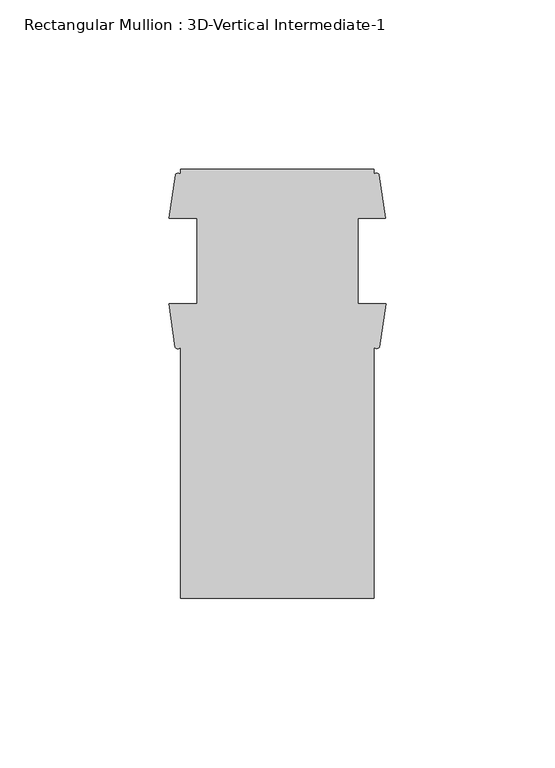
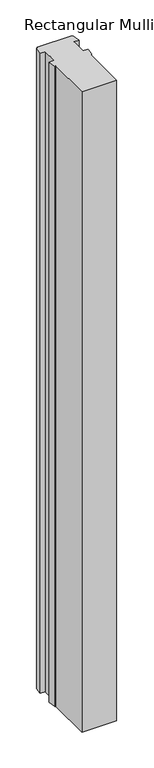
"""IFC4 building model written with IfcOpenShell, lengths in millimetres: member geometry, Rectangular Mullion : 3D-Vertical Intermediate-1."""

from ifc_helpers import new_model, si_unit, point, frame, frame_2d, origin, place, context, project, spatial, polyline, circle_curve, trimmed, segment, composite_curve, outline, extrude, source, transform, mapped, element, save


def rectangular_mullion_3d_vertical_intermediate_1_5295682a(model_context):
    return source(origin(), model_context, "Body", "SweptSolid", [
        extrude(outline(composite_curve([segment(polyline([(-28.575, -73.025), (-28.575, 1.2984222)]), True, "CONTINUOUS"), segment(trimmed(circle_curve(frame_2d((-29.4067022, 1.834513)), 0.9895059), [point((-28.575, 1.2984222))], [point((-30.2384044, 1.2984222))], False, "CARTESIAN"), True, "CONTINUOUS"), segment(polyline([(-30.2384044, 1.2984222), (-32.0945217, 14.071475), (-23.8125, 14.071475), (-23.8125, 39.471475), (-31.971, 39.471475), (-30.1608963, 52.2427625)]), True, "CONTINUOUS"), segment(trimmed(circle_curve(frame_2d((-29.3679481, 51.7698358)), 0.9232694), [point((-30.1608963, 52.2427625))], [point((-28.575, 52.2427625))], False, "CARTESIAN"), True, "CONTINUOUS"), segment(polyline([(-28.575, 52.2427625), (-28.575, 53.975), (28.575, 53.975), (28.575, 52.2427625)]), True, "CONTINUOUS"), segment(trimmed(circle_curve(frame_2d((29.3679481, 51.7864126)), 0.914889), [point((28.575, 52.2427625))], [point((30.1608963, 52.2427625))], False, "CARTESIAN"), True, "CONTINUOUS"), segment(polyline([(30.1608963, 52.2427625), (31.971, 39.471475), (23.8125, 39.471475), (23.8125, 14.071475), (32.0945217, 14.071475), (30.2384044, 1.2984222)]), True, "CONTINUOUS"), segment(trimmed(circle_curve(frame_2d((29.4067022, 1.8757809)), 1.0124582), [point((30.2384044, 1.2984222))], [point((28.575, 1.2984222))], False, "CARTESIAN"), True, "CONTINUOUS"), segment(polyline([(28.575, 1.2984222), (28.575, -73.025), (-28.575, -73.025)]), True, "CONTINUOUS")], self_intersect=False)), frame((0.0, 0.0, -1110.9054786), z_axis=(0.0, 0.0, 1.0), x_axis=(1.0, 0.0, 0.0)), (0.0, 0.0, 1.0), 1110.9054786),
    ])


if __name__ == "__main__":
    model = new_model("IFC4")
    model_context = context("Model", 3, world=origin())
    ifc_project = project(units=[si_unit("LENGTHUNIT", "METRE", prefix="MILLI")], contexts=[model_context])
    site = spatial("IfcSite", under=ifc_project)
    building = spatial("IfcBuilding", under=site)
    placement = place(None, origin())
    rectangular_mullion_3d_vertical_intermediate_1_shape = rectangular_mullion_3d_vertical_intermediate_1_5295682a(model_context)
    element("IfcMember", 1, ObjectType="Rectangular Mullion : 3D-Vertical Intermediate-1", at=placement, inside=building, context=model_context, shape_type="MappedRepresentation", body=[
        mapped(rectangular_mullion_3d_vertical_intermediate_1_shape, transform((0.0, 0.0, 0.0), x_axis=(1.0, 0.0, 0.0), y_axis=(0.0, 1.0, 0.0), z_axis=(0.0, 0.0, 1.0))),
    ])
    save(model, "model.ifc")
